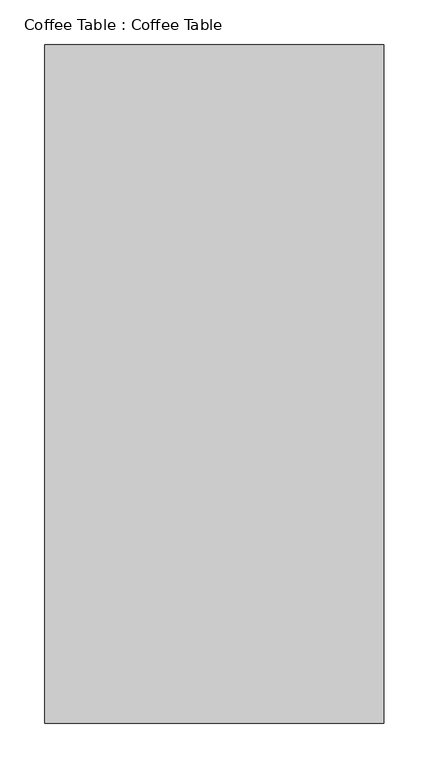
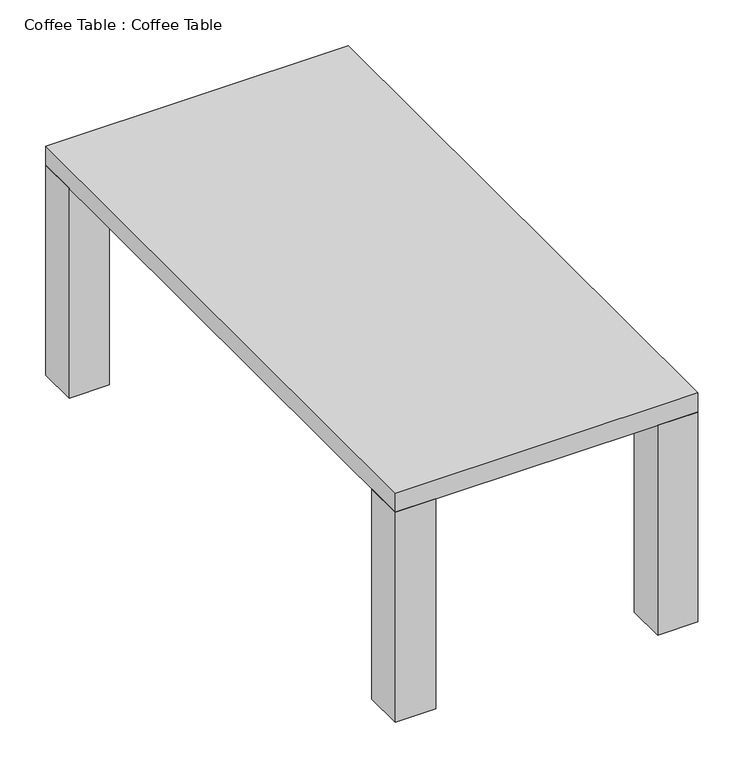
"""IFC4 building model written with IfcOpenShell, lengths in millimetres: furniture geometry, Coffee Table : Coffee Table."""

from ifc_helpers import new_model, si_unit, frame, origin, origin_with_axes, place, context, project, spatial, polyline, outline, extrude, source, transform, mapped, element, save


def coffee_table_coffee_table_2d5b5b84(model_context):
    return source(origin(), model_context, "Body", "SweptSolid", [
        extrude(outline(polyline([(50.8, -711.2), (50.8, -762.0), (0.0, -762.0), (0.0, -711.2), (50.8, -711.2)])), origin_with_axes(), (0.0, 0.0, 1.0), 279.4),
        extrude(outline(polyline([(381.0, -711.2), (381.0, -762.0), (330.2, -762.0), (330.2, -711.2), (381.0, -711.2)])), origin_with_axes(), (0.0, 0.0, 1.0), 279.4),
        extrude(outline(polyline([(381.0, 0.0), (381.0, -50.8), (330.2, -50.8), (330.2, 0.0), (381.0, 0.0)])), origin_with_axes(), (0.0, 0.0, 1.0), 279.4),
        extrude(outline(polyline([(50.8, 0.0), (50.8, -50.8), (0.0, -50.8), (0.0, 0.0), (50.8, 0.0)])), origin_with_axes(), (0.0, 0.0, 1.0), 279.4),
        extrude(outline(polyline([(381.0, 0.0), (381.0, -762.0), (0.0, -762.0), (0.0, 0.0), (381.0, 0.0)])), frame((0.0, 0.0, 279.4), z_axis=(0.0, 0.0, 1.0), x_axis=(1.0, 0.0, 0.0)), (0.0, 0.0, 1.0), 25.4),
    ])


if __name__ == "__main__":
    model = new_model("IFC4")
    model_context = context("Model", 3, world=origin())
    ifc_project = project(units=[si_unit("LENGTHUNIT", "METRE", prefix="MILLI")], contexts=[model_context])
    site = spatial("IfcSite", under=ifc_project)
    building = spatial("IfcBuilding", under=site)
    placement = place(None, origin())
    coffee_table_coffee_table_shape = coffee_table_coffee_table_2d5b5b84(model_context)
    element("IfcFurniture", 1, ObjectType="Coffee Table : Coffee Table", at=placement, inside=building, context=model_context, shape_type="MappedRepresentation", body=[
        mapped(coffee_table_coffee_table_shape, transform((0.0, 0.0, 0.0), x_axis=(1.0, 0.0, 0.0), y_axis=(0.0, 1.0, 0.0), z_axis=(0.0, 0.0, 1.0))),
    ])
    save(model, "model.ifc")
